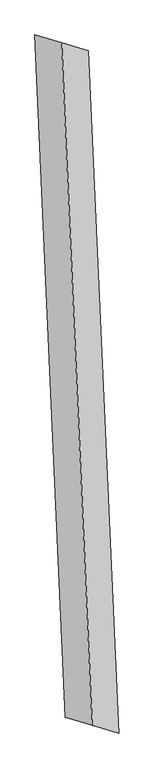
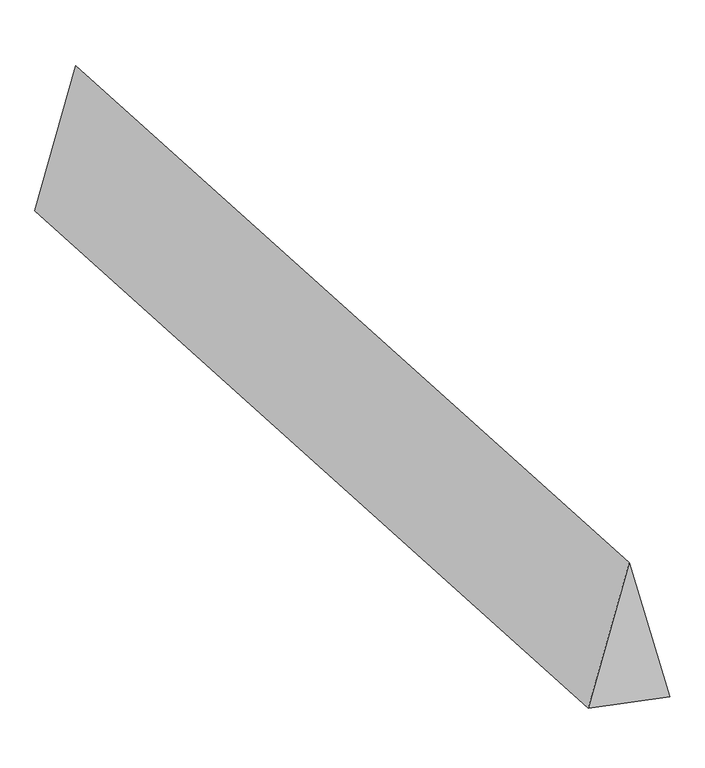
"""IFC4 building model written with IfcOpenShell, lengths in millimetres: proxy geometry."""

from ifc_helpers import new_model, si_unit, origin, place, context, project, spatial, faceted_brep, source, transform, mapped, element, save


def generic_models_96225617(model_context):
    return source(origin(), model_context, "Body", "Brep", [
        faceted_brep([(94.5827131, -2113.2865607, 700.0), (260.239773, -2162.1992302, 0.0), (71.0743469, 2064.3738912, 0.0), (-94.5827131, 2113.2865607, 700.0), (-71.0743469, -2064.3738912, 0.0), (-260.239773, 2162.1992302, 0.0)], [[[0, 1, 2, 3]], [[1, 4, 5, 2]], [[4, 0, 3, 5]], [[3, 2, 5]], [[0, 4, 1]]]),
    ])


if __name__ == "__main__":
    model = new_model("IFC4")
    model_context = context("Model", 3, world=origin())
    ifc_project = project(units=[si_unit("LENGTHUNIT", "METRE", prefix="MILLI")], contexts=[model_context])
    site = spatial("IfcSite", under=ifc_project)
    building = spatial("IfcBuilding", under=site)
    placement = place(None, origin())
    generic_models_shape = generic_models_96225617(model_context)
    element("IfcBuildingElementProxy", 1, Name="Generic Models", at=placement, inside=building, context=model_context, shape_type="MappedRepresentation", body=[
        mapped(generic_models_shape, transform((0.0, 0.0, 0.0), x_axis=(1.0, 0.0, 0.0), y_axis=(0.0, 1.0, 0.0), z_axis=(0.0, 0.0, 1.0))),
    ])
    save(model, "model.ifc")
